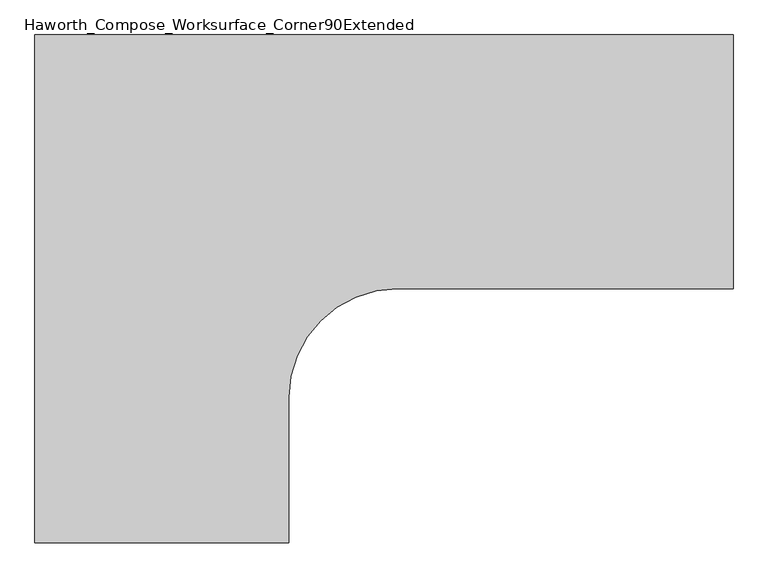
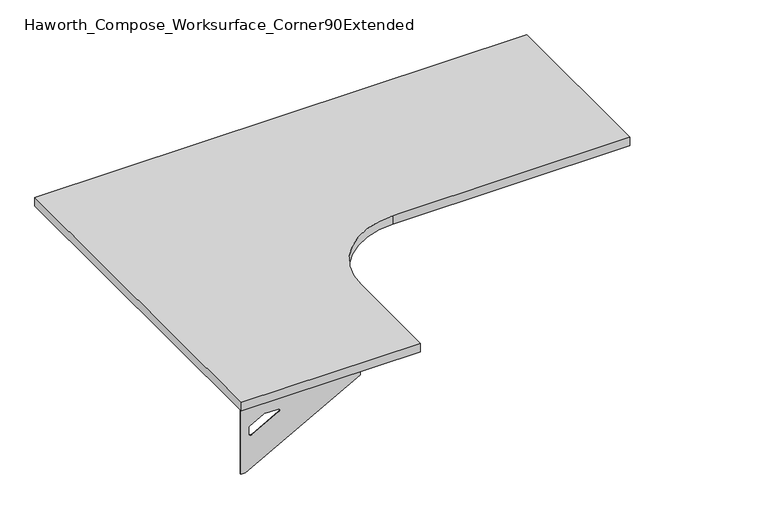
"""IFC4 building model written with IfcOpenShell, lengths in millimetres: furniture geometry, Haworth_Compose_Worksurface_Corner90Extended."""

from ifc_helpers import new_model, si_unit, point, frame, frame_2d, origin, place, context, project, spatial, polyline, circle_curve, trimmed, segment, composite_curve, outline, extrude, source, transform, mapped, element, save
from ifc_brep_helpers import plane_surface, revolved_surface, advanced_brep


def haworth_compose_worksurface_corner90extended_1e92e93f(model_context):
    return source(origin(), model_context, "Body", "SolidModel", [
        advanced_brep(
        [(985.04375, 152.4, 475.45625), (985.04375, 136.525, 475.45625), (985.04375, -254.0, 691.7192568), (985.04375, -254.0, 704.05625), (985.04375, 136.525, 704.05625), (985.04375, 152.4, 704.05625), (985.04375, 69.090072, 665.95625), (985.04375, 25.4355284, 665.95625), (985.04375, 22.7564235, 656.3705539), (985.04375, 114.4776173, 605.5776439), (985.04375, 123.825, 611.1756969), (985.04375, 123.825, 634.6860246), (985.04375, 122.0730055, 637.5242776), (985.04375, 72.1663437, 665.1613425), (987.425, 152.4, 475.45625), (987.425, 152.4, 704.05625), (987.425, 136.525, 704.05625), (987.425, 136.525, 706.4375), (987.425, -254.0, 706.4375), (987.425, -254.0, 691.7192568), (987.425, 136.525, 475.45625), (987.425, 69.090072, 665.95625), (987.425, 72.1663437, 665.1613425), (987.425, 122.0730055, 637.5242776), (987.425, 123.825, 634.6860246), (987.425, 123.825, 611.1756969), (987.425, 114.4776173, 605.5776439), (987.425, 22.7564235, 656.3705539), (987.425, 25.4355284, 665.95625), (946.15, -254.0, 706.4375), (946.15, -254.0, 704.05625), (946.15, 136.525, 704.05625), (946.15, 136.525, 706.4375)],
        [
            (0, 1),
            (1, 2),
            (2, 3),
            (3, 4),
            (4, 5),
            (5, 0),
            (6, 7),
            (7, 8, circle_curve(frame((985.04375, 25.4355284, 660.7890106), z_axis=(1.0, 0.0, 0.0), x_axis=(0.0, -1.0, 0.0)), 5.1672394)),
            (8, 9),
            (9, 10, circle_curve(frame((985.04375, 117.475, 611.1756969), z_axis=(1.0, 0.0, 0.0), x_axis=(0.0, -1.0, 0.0)), 6.35)),
            (10, 11),
            (11, 12, circle_curve(frame((985.04375, 120.65, 634.6860246), z_axis=(1.0, 0.0, 0.0), x_axis=(0.0, -1.0, 0.0)), 3.175)),
            (12, 13),
            (13, 6, circle_curve(frame((985.04375, 69.090072, 659.60625), z_axis=(1.0, 0.0, 0.0), x_axis=(0.0, -1.0, 0.0)), 6.35)),
            (14, 15),
            (15, 16),
            (16, 17),
            (17, 18),
            (18, 19),
            (19, 20),
            (20, 14),
            (21, 22, circle_curve(frame((987.425, 69.090072, 659.60625), z_axis=(-1.0, 0.0, 0.0), x_axis=(0.0, -1.0, 0.0)), 6.35)),
            (22, 23),
            (23, 24, circle_curve(frame((987.425, 120.65, 634.6860246), z_axis=(-1.0, 0.0, 0.0), x_axis=(0.0, -1.0, 0.0)), 3.175)),
            (24, 25),
            (25, 26, circle_curve(frame((987.425, 117.475, 611.1756969), z_axis=(-1.0, 0.0, 0.0), x_axis=(0.0, -1.0, 0.0)), 6.35)),
            (26, 27),
            (27, 28, circle_curve(frame((987.425, 25.4355284, 660.7890106), z_axis=(-1.0, 0.0, 0.0), x_axis=(0.0, -1.0, 0.0)), 5.1672394)),
            (28, 21),
            (4, 16),
            (15, 5),
            (14, 0),
            (20, 1),
            (19, 2),
            (18, 29),
            (29, 30),
            (30, 3),
            (6, 21),
            (28, 7),
            (9, 26),
            (25, 10),
            (24, 11),
            (23, 12),
            (27, 8),
            (31, 4),
            (30, 31),
            (32, 29),
            (17, 32),
            (31, 32),
            (22, 13),
        ],
        [
            plane_surface(frame((985.04375, 152.4, 475.45625), z_axis=(-1.0, 0.0, 0.0), x_axis=(0.0, 1.0, 0.0))),
            plane_surface(frame((987.425, 152.4, 475.45625), z_axis=(1.0, 0.0, 0.0), x_axis=(0.0, -1.0, 0.0))),
            plane_surface(frame((987.425, -254.0, 704.05625), z_axis=(0.0, 0.0, 1.0), x_axis=(-1.0, 0.0, 0.0))),
            plane_surface(frame((987.425, 152.4, 704.05625), z_axis=(0.0, 1.0, 0.0), x_axis=(-1.0, 0.0, 0.0))),
            plane_surface(frame((987.425, 152.4, 475.45625), z_axis=(0.0, 0.0, -1.0), x_axis=(-1.0, 0.0, 0.0))),
            plane_surface(frame((987.425, 136.525, 475.45625), z_axis=(0.0, -0.4844522351345575, -0.8748177135112957), x_axis=(-1.0, 0.0, 0.0))),
            plane_surface(frame((987.425, -254.0, 691.7192568), z_axis=(0.0, -1.0, 0.0), x_axis=(-1.0, 0.0, 0.0))),
            plane_surface(frame((987.425, 69.090072, 665.95625), z_axis=(0.0, 0.0, -1.0), x_axis=(-1.0, 0.0, 0.0))),
            revolved_surface(polyline([(985.04375, 111.125, 611.1756969), (987.425, 111.125, 611.1756969)]), (987.425, 117.475, 611.1756969), (-1.0, 0.0, 0.0)),
            plane_surface(frame((987.425, 123.825, 611.1756969), z_axis=(0.0, -1.0, 0.0), x_axis=(-1.0, 0.0, 0.0))),
            revolved_surface(polyline([(985.04375, 117.47500000000001, 634.6860246), (987.425, 117.47500000000001, 634.6860246)]), (987.425, 120.65, 634.6860246), (-1.0, 0.0, 0.0)),
            revolved_surface(polyline([(985.04375, 20.268289, 660.7890106), (987.425, 20.268289, 660.7890106)]), (987.425, 25.4355284, 660.7890106), (-1.0, 0.0, 0.0)),
            plane_surface(frame((987.425, 136.525, 704.05625), z_axis=(0.0, 0.0, -1.0), x_axis=(-1.0, 0.0, 0.0))),
            plane_surface(frame((987.425, 136.525, 706.4375), z_axis=(0.0, 0.0, 1.0), x_axis=(1.0, 0.0, 0.0))),
            plane_surface(frame((946.15, 136.525, 706.4375), z_axis=(0.0, 1.0, 0.0), x_axis=(0.0, 0.0, -1.0))),
            plane_surface(frame((946.15, -254.0, 706.4375), z_axis=(-1.0, 0.0, 0.0), x_axis=(0.0, 0.0, -1.0))),
            plane_surface(frame((987.425, 22.7564235, 656.3705539), z_axis=(0.0, 0.4844522351341526, 0.8748177135115199), x_axis=(-1.0, 0.0, 0.0))),
            plane_surface(frame((987.425, 122.0730055, 637.5242776), z_axis=(0.0, -0.48445223513456226, -0.874817713511293), x_axis=(-1.0, 0.0, 0.0))),
            revolved_surface(polyline([(985.04375, 62.740072000000005, 659.60625), (987.425, 62.740072000000005, 659.60625)]), (987.425, 69.090072, 659.60625), (-1.0, 0.0, 0.0)),
        ],
        [
            (0, [[1, 2, 3, 4, 5, 6], [7, 8, 9, 10, 11, 12, 13, 14]]),
            (1, [[15, 16, 17, 18, 19, 20, 21], [22, 23, 24, 25, 26, 27, 28, 29]]),
            (2, [[-5, 30, -16, 31]]),
            (3, [[-31, -15, 32, -6]]),
            (4, [[-32, -21, 33, -1]]),
            (5, [[-33, -20, 34, -2]]),
            (6, [[-34, -19, 35, 36, 37, -3]]),
            (7, [[38, -29, 39, -7]]),
            (8, [[40, -26, 41, -10]]),
            (9, [[-41, -25, 42, -11]]),
            (10, [[-42, -24, 43, -12]]),
            (11, [[-39, -28, 44, -8]]),
            (12, [[45, -4, -37, 46]]),
            (13, [[47, -35, -18, 48]]),
            (14, [[-17, -30, -45, 49, -48]]),
            (15, [[-36, -47, -49, -46]]),
            (16, [[-44, -27, -40, -9]]),
            (17, [[-43, -23, 50, -13]]),
            (18, [[-50, -22, -38, -14]]),
        ],
    ),
        advanced_brep(
        [(-685.8, -1061.24375, 475.45625), (-685.8, -1061.24375, 704.05625), (-669.925, -1061.24375, 704.05625), (-279.4, -1061.24375, 704.05625), (-279.4, -1061.24375, 691.7192568), (-669.925, -1061.24375, 475.45625), (-602.490072, -1061.24375, 665.95625), (-605.5663437, -1061.24375, 665.1613425), (-655.4730055, -1061.24375, 637.5242776), (-657.225, -1061.24375, 634.6860246), (-657.225, -1061.24375, 611.1756969), (-647.8776173, -1061.24375, 605.5776439), (-556.1564235, -1061.24375, 656.3705539), (-558.8355284, -1061.24375, 665.95625), (-685.8, -1063.625, 475.45625), (-669.925, -1063.625, 475.45625), (-279.4, -1063.625, 691.7192568), (-279.4, -1063.625, 706.4375), (-669.925, -1063.625, 706.4375), (-669.925, -1063.625, 704.05625), (-685.8, -1063.625, 704.05625), (-602.490072, -1063.625, 665.95625), (-558.8355284, -1063.625, 665.95625), (-556.1564235, -1063.625, 656.3705539), (-647.8776173, -1063.625, 605.5776439), (-657.225, -1063.625, 611.1756969), (-657.225, -1063.625, 634.6860246), (-655.4730055, -1063.625, 637.5242776), (-605.5663437, -1063.625, 665.1613425), (-279.4, -1022.35, 704.05625), (-279.4, -1022.35, 706.4375), (-669.925, -1022.35, 704.05625), (-669.925, -1022.35, 706.4375)],
        [
            (0, 1),
            (1, 2),
            (2, 3),
            (3, 4),
            (4, 5),
            (5, 0),
            (6, 7, circle_curve(frame((-602.490072, -1061.24375, 659.60625), z_axis=(0.0, -1.0, 0.0), x_axis=(1.0, 0.0, 0.0)), 6.35)),
            (7, 8),
            (8, 9, circle_curve(frame((-654.05, -1061.24375, 634.6860246), z_axis=(0.0, -1.0, 0.0), x_axis=(1.0, 0.0, 0.0)), 3.175)),
            (9, 10),
            (10, 11, circle_curve(frame((-650.875, -1061.24375, 611.1756969), z_axis=(0.0, -1.0, 0.0), x_axis=(1.0, 0.0, 0.0)), 6.35)),
            (11, 12),
            (12, 13, circle_curve(frame((-558.8355284, -1061.24375, 660.7890106), z_axis=(0.0, -1.0, 0.0), x_axis=(1.0, 0.0, 0.0)), 5.1672394)),
            (13, 6),
            (14, 15),
            (15, 16),
            (16, 17),
            (17, 18),
            (18, 19),
            (19, 20),
            (20, 14),
            (21, 22),
            (22, 23, circle_curve(frame((-558.8355284, -1063.625, 660.7890106), z_axis=(0.0, 1.0, 0.0), x_axis=(1.0, 0.0, 0.0)), 5.1672394)),
            (23, 24),
            (24, 25, circle_curve(frame((-650.875, -1063.625, 611.1756969), z_axis=(0.0, 1.0, 0.0), x_axis=(1.0, 0.0, 0.0)), 6.35)),
            (25, 26),
            (26, 27, circle_curve(frame((-654.05, -1063.625, 634.6860246), z_axis=(0.0, 1.0, 0.0), x_axis=(1.0, 0.0, 0.0)), 3.175)),
            (27, 28),
            (28, 21, circle_curve(frame((-602.490072, -1063.625, 659.60625), z_axis=(0.0, 1.0, 0.0), x_axis=(1.0, 0.0, 0.0)), 6.35)),
            (1, 20),
            (19, 2),
            (0, 14),
            (5, 15),
            (4, 16),
            (3, 29),
            (29, 30),
            (30, 17),
            (13, 22),
            (21, 6),
            (10, 25),
            (24, 11),
            (9, 26),
            (8, 27),
            (12, 23),
            (31, 29),
            (2, 31),
            (32, 18),
            (30, 32),
            (32, 31),
            (7, 28),
        ],
        [
            plane_surface(frame((-685.8, -1061.24375, 475.45625), z_axis=(0.0, 1.0, 0.0), x_axis=(-1.0, 0.0, 0.0))),
            plane_surface(frame((-685.8, -1063.625, 475.45625), z_axis=(0.0, -1.0, 0.0), x_axis=(1.0, 0.0, 0.0))),
            plane_surface(frame((-279.4, -1063.625, 704.05625), z_axis=(0.0, 0.0, 1.0), x_axis=(0.0, 1.0, 0.0))),
            plane_surface(frame((-685.8, -1063.625, 704.05625), z_axis=(-1.0, 0.0, 0.0), x_axis=(0.0, 1.0, 0.0))),
            plane_surface(frame((-685.8, -1063.625, 475.45625), z_axis=(0.0, 0.0, -1.0), x_axis=(0.0, 1.0, 0.0))),
            plane_surface(frame((-669.925, -1063.625, 475.45625), z_axis=(0.4844522351345575, 0.0, -0.8748177135112957), x_axis=(0.0, 1.0, 0.0))),
            plane_surface(frame((-279.4, -1063.625, 691.7192568), z_axis=(1.0, 0.0, 0.0), x_axis=(0.0, 1.0, 0.0))),
            plane_surface(frame((-602.490072, -1063.625, 665.95625), z_axis=(0.0, 0.0, -1.0), x_axis=(0.0, 1.0, 0.0))),
            revolved_surface(polyline([(-644.525, -1061.24375, 611.1756969), (-644.525, -1063.625, 611.1756969)]), (-650.875, -1063.625, 611.1756969), (0.0, 1.0, 0.0)),
            plane_surface(frame((-657.225, -1063.625, 611.1756969), z_axis=(1.0, 0.0, 0.0), x_axis=(0.0, 1.0, 0.0))),
            revolved_surface(polyline([(-650.875, -1061.24375, 634.6860246), (-650.875, -1063.625, 634.6860246)]), (-654.05, -1063.625, 634.6860246), (0.0, 1.0, 0.0)),
            revolved_surface(polyline([(-553.6682890000001, -1061.24375, 660.7890106), (-553.6682890000001, -1063.625, 660.7890106)]), (-558.8355284, -1063.625, 660.7890106), (0.0, 1.0, 0.0)),
            plane_surface(frame((-669.925, -1063.625, 704.05625), z_axis=(0.0, 0.0, -1.0), x_axis=(0.0, 1.0, 0.0))),
            plane_surface(frame((-669.925, -1063.625, 706.4375), z_axis=(0.0, 0.0, 1.0), x_axis=(0.0, -1.0, 0.0))),
            plane_surface(frame((-669.925, -1022.35, 706.4375), z_axis=(-1.0, 0.0, 0.0), x_axis=(0.0, 0.0, -1.0))),
            plane_surface(frame((-279.4, -1022.35, 706.4375), z_axis=(0.0, 1.0, 0.0), x_axis=(0.0, 0.0, -1.0))),
            plane_surface(frame((-556.1564235, -1063.625, 656.3705539), z_axis=(-0.4844522351341526, 0.0, 0.8748177135115199), x_axis=(0.0, 1.0, 0.0))),
            plane_surface(frame((-655.4730055, -1063.625, 637.5242776), z_axis=(0.48445223513456226, 0.0, -0.874817713511293), x_axis=(0.0, 1.0, 0.0))),
            revolved_surface(polyline([(-596.140072, -1061.24375, 659.60625), (-596.140072, -1063.625, 659.60625)]), (-602.490072, -1063.625, 659.60625), (0.0, 1.0, 0.0)),
        ],
        [
            (0, [[1, 2, 3, 4, 5, 6], [7, 8, 9, 10, 11, 12, 13, 14]]),
            (1, [[15, 16, 17, 18, 19, 20, 21], [22, 23, 24, 25, 26, 27, 28, 29]]),
            (2, [[30, -20, 31, -2]]),
            (3, [[-1, 32, -21, -30]]),
            (4, [[-6, 33, -15, -32]]),
            (5, [[-5, 34, -16, -33]]),
            (6, [[-4, 35, 36, 37, -17, -34]]),
            (7, [[-14, 38, -22, 39]]),
            (8, [[-11, 40, -25, 41]]),
            (9, [[-10, 42, -26, -40]]),
            (10, [[-9, 43, -27, -42]]),
            (11, [[-13, 44, -23, -38]]),
            (12, [[45, -35, -3, 46]]),
            (13, [[47, -18, -37, 48]]),
            (14, [[-47, 49, -46, -31, -19]]),
            (15, [[-45, -49, -48, -36]]),
            (16, [[-12, -41, -24, -44]]),
            (17, [[-8, 50, -28, -43]]),
            (18, [[-7, -39, -29, -50]]),
        ],
    ),
        extrude(outline(composite_curve([segment(polyline([(-685.8, 152.4), (990.6, 152.4), (990.6, -457.2), (184.15, -457.2)]), True, "CONTINUOUS"), segment(trimmed(circle_curve(frame_2d((184.15, -717.55)), 260.35), [point((184.15, -457.2))], [point((-76.2, -717.55))], True, "CARTESIAN"), True, "CONTINUOUS"), segment(polyline([(-76.2, -717.55), (-76.2, -1066.8), (-685.8, -1066.8), (-685.8, 152.4)]), True, "CONTINUOUS")], self_intersect=False)), frame((0.0, 0.0, 706.4375), z_axis=(0.0, 0.0, 1.0), x_axis=(1.0, 0.0, 0.0)), (0.0, 0.0, 1.0), 30.1625),
    ])


if __name__ == "__main__":
    model = new_model("IFC4")
    model_context = context("Model", 3, world=origin())
    ifc_project = project(units=[si_unit("LENGTHUNIT", "METRE", prefix="MILLI")], contexts=[model_context])
    site = spatial("IfcSite", under=ifc_project)
    building = spatial("IfcBuilding", under=site)
    placement = place(None, origin())
    haworth_compose_worksurface_corner90extended_shape = haworth_compose_worksurface_corner90extended_1e92e93f(model_context)
    element("IfcFurniture", 1, ObjectType="Haworth_Compose_Worksurface_Corner90Extended", at=placement, inside=building, context=model_context, shape_type="MappedRepresentation", body=[
        mapped(haworth_compose_worksurface_corner90extended_shape, transform((0.0, 0.0, 0.0), x_axis=(1.0, 0.0, 0.0), y_axis=(0.0, 1.0, 0.0), z_axis=(0.0, 0.0, 1.0))),
    ])
    save(model, "model.ifc")
